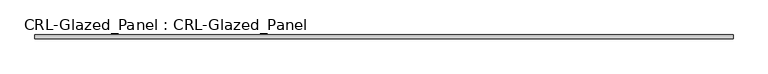
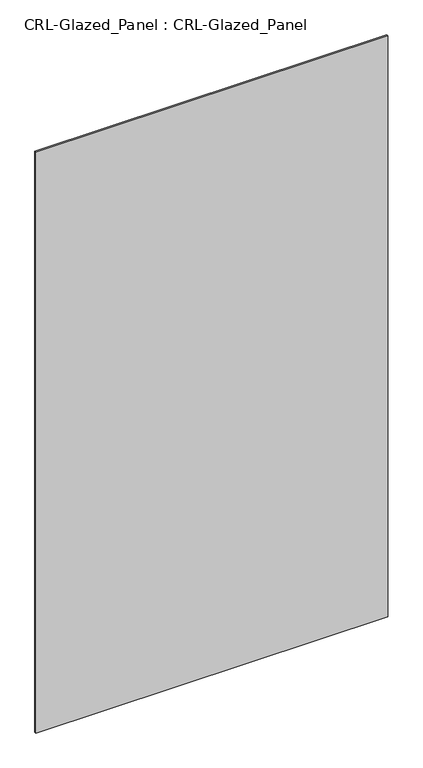
"""IFC4 building model written with IfcOpenShell, lengths in millimetres: plate geometry, CRL-Glazed_Panel : CRL-Glazed_Panel."""

from ifc_helpers import new_model, si_unit, origin, origin_with_axes, place, context, project, spatial, polyline, outline, extrude, source, transform, mapped, element, save


def crl_glazed_panel_crl_glazed_panel_0687cca7(model_context):
    return source(origin(), model_context, "Body", "SweptSolid", [
        extrude(outline(polyline([(613.8333298, 3.1749999), (613.8333298, -3.1749999), (-613.8333298, -3.1749999), (-613.8333298, 3.1749999), (613.8333298, 3.1749999)])), origin_with_axes(), (0.0, 0.0, 1.0), 2143.1250696),
    ])


if __name__ == "__main__":
    model = new_model("IFC4")
    model_context = context("Model", 3, world=origin())
    ifc_project = project(units=[si_unit("LENGTHUNIT", "METRE", prefix="MILLI")], contexts=[model_context])
    site = spatial("IfcSite", under=ifc_project)
    building = spatial("IfcBuilding", under=site)
    placement = place(None, origin())
    crl_glazed_panel_crl_glazed_panel_shape = crl_glazed_panel_crl_glazed_panel_0687cca7(model_context)
    element("IfcPlate", 1, ObjectType="CRL-Glazed_Panel : CRL-Glazed_Panel", at=placement, inside=building, context=model_context, shape_type="MappedRepresentation", body=[
        mapped(crl_glazed_panel_crl_glazed_panel_shape, transform((0.0, 0.0, 0.0), x_axis=(1.0, 0.0, 0.0), y_axis=(0.0, 1.0, 0.0), z_axis=(0.0, 0.0, 1.0))),
    ])
    save(model, "model.ifc")
